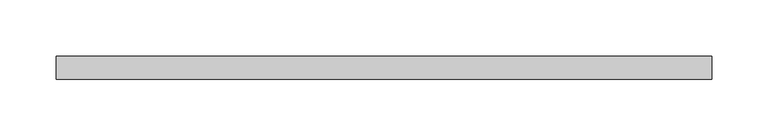
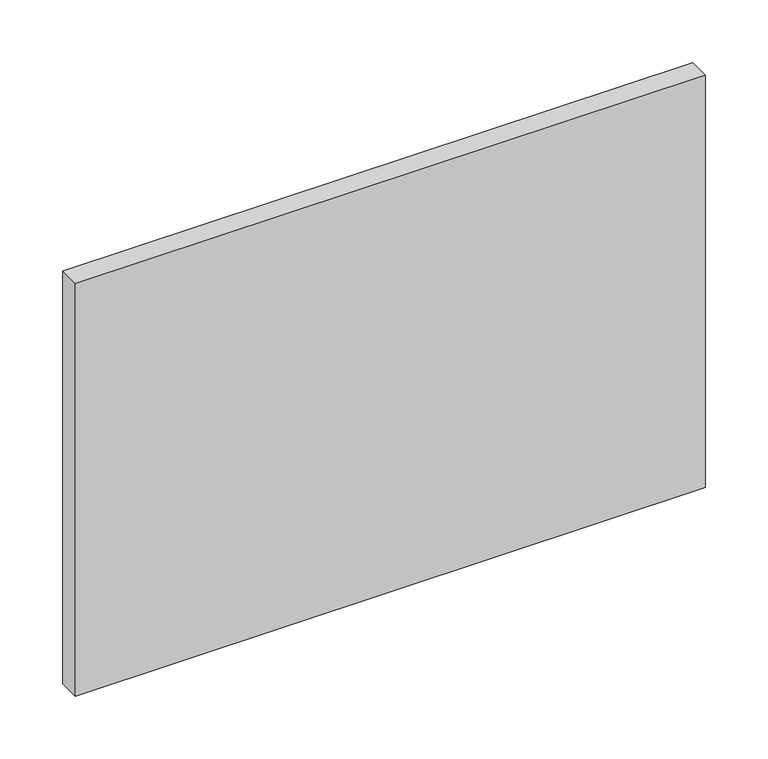
"""IFC4 building model written with IfcOpenShell, lengths in millimetres: plate geometry."""

from ifc_helpers import new_model, si_unit, origin, origin_with_axes, place, context, project, spatial, polyline, outline, extrude, source, transform, mapped, element, save


def plate_f3678ef3(model_context):
    return source(origin(), model_context, "Body", "SweptSolid", [
        extrude(outline(polyline([(290.0, 70.0), (-290.0, 70.0), (-290.0, 90.0), (290.0, 90.0), (290.0, 70.0)])), origin_with_axes(), (0.0, 0.0, 1.0), 401.7066473),
    ])


if __name__ == "__main__":
    model = new_model("IFC4")
    model_context = context("Model", 3, world=origin())
    ifc_project = project(units=[si_unit("LENGTHUNIT", "METRE", prefix="MILLI")], contexts=[model_context])
    site = spatial("IfcSite", under=ifc_project)
    building = spatial("IfcBuilding", under=site)
    placement = place(None, origin())
    plate_shape = plate_f3678ef3(model_context)
    element("IfcPlate", 1, at=placement, inside=building, context=model_context, shape_type="MappedRepresentation", body=[
        mapped(plate_shape, transform((0.0, 0.0, 0.0), x_axis=(1.0, 0.0, 0.0), y_axis=(0.0, 1.0, 0.0), z_axis=(0.0, 0.0, 1.0))),
    ])
    save(model, "model.ifc")
